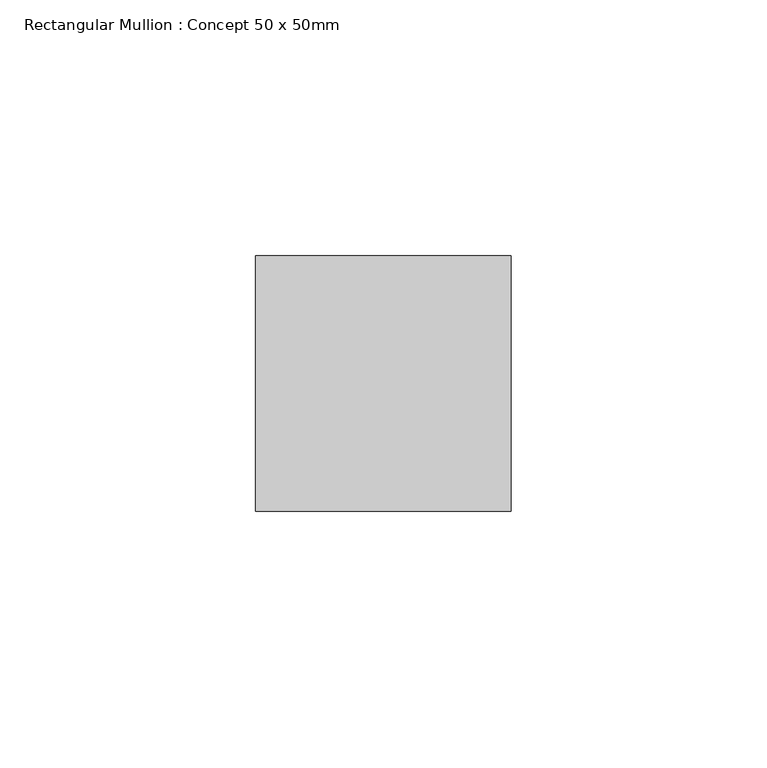
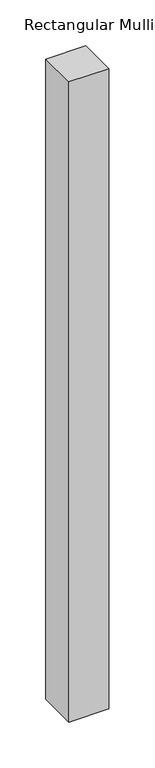
"""IFC4 building model written with IfcOpenShell, lengths in millimetres: member geometry, Rectangular Mullion : Concept 50 x 50mm."""

from ifc_helpers import new_model, si_unit, frame, origin, place, context, project, spatial, polyline, outline, extrude, source, transform, mapped, element, save


def rectangular_mullion_concept_50_x_50mm_7669d55a(model_context):
    return source(origin(), model_context, "Body", "SweptSolid", [
        extrude(outline(polyline([(0.0, 50.0), (0.0, 0.0), (-50.0, 0.0), (-50.0, 50.0), (0.0, 50.0)])), frame((0.0, 0.0, -850.0), z_axis=(0.0, 0.0, 1.0), x_axis=(1.0, 0.0, 0.0)), (0.0, 0.0, 1.0), 850.0),
    ])


if __name__ == "__main__":
    model = new_model("IFC4")
    model_context = context("Model", 3, world=origin())
    ifc_project = project(units=[si_unit("LENGTHUNIT", "METRE", prefix="MILLI")], contexts=[model_context])
    site = spatial("IfcSite", under=ifc_project)
    building = spatial("IfcBuilding", under=site)
    placement = place(None, origin())
    rectangular_mullion_concept_50_x_50mm_shape = rectangular_mullion_concept_50_x_50mm_7669d55a(model_context)
    element("IfcMember", 1, ObjectType="Rectangular Mullion : Concept 50 x 50mm", at=placement, inside=building, context=model_context, shape_type="MappedRepresentation", body=[
        mapped(rectangular_mullion_concept_50_x_50mm_shape, transform((0.0, 0.0, 0.0), x_axis=(1.0, 0.0, 0.0), y_axis=(0.0, 1.0, 0.0), z_axis=(0.0, 0.0, 1.0))),
    ])
    save(model, "model.ifc")
